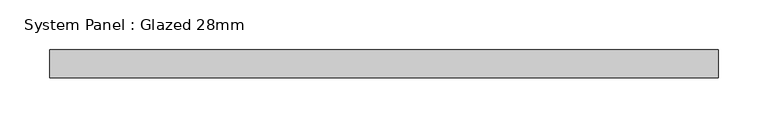
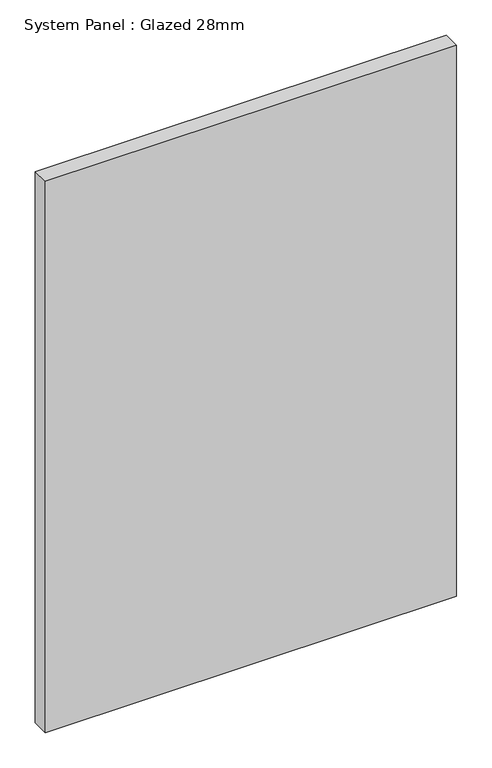
"""IFC4 building model written with IfcOpenShell, lengths in millimetres: plate geometry, System Panel : Glazed 28mm."""

from ifc_helpers import new_model, si_unit, origin, origin_with_axes, place, context, project, spatial, polyline, outline, extrude, source, transform, mapped, element, save


def system_panel_glazed_28mm_bd015de6(model_context):
    return source(origin(), model_context, "Body", "SweptSolid", [
        extrude(outline(polyline([(334.7679696, -14.0), (-334.7679696, -14.0), (-334.7679696, 14.0), (334.7679696, 14.0), (334.7679696, -14.0)])), origin_with_axes(), (0.0, 0.0, 1.0), 948.618805),
    ])


if __name__ == "__main__":
    model = new_model("IFC4")
    model_context = context("Model", 3, world=origin())
    ifc_project = project(units=[si_unit("LENGTHUNIT", "METRE", prefix="MILLI")], contexts=[model_context])
    site = spatial("IfcSite", under=ifc_project)
    building = spatial("IfcBuilding", under=site)
    placement = place(None, origin())
    system_panel_glazed_28mm_shape = system_panel_glazed_28mm_bd015de6(model_context)
    element("IfcPlate", 1, ObjectType="System Panel : Glazed 28mm", at=placement, inside=building, context=model_context, shape_type="MappedRepresentation", body=[
        mapped(system_panel_glazed_28mm_shape, transform((0.0, 0.0, 0.0), x_axis=(1.0, 0.0, 0.0), y_axis=(0.0, 1.0, 0.0), z_axis=(0.0, 0.0, 1.0))),
    ])
    save(model, "model.ifc")
